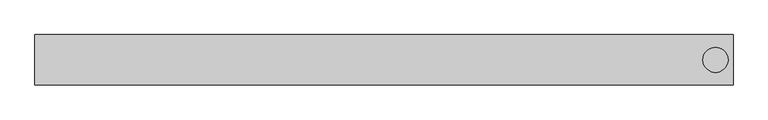
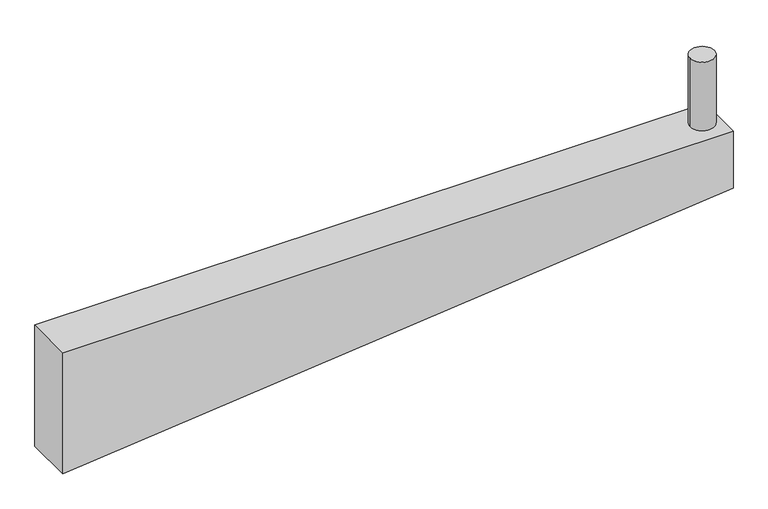
"""IFC4 building model written with IfcOpenShell, lengths in millimetres: beam geometry."""

from ifc_helpers import new_model, si_unit, point, frame, frame_2d, origin, origin_with_axes, place, context, project, spatial, polyline, circle_curve, trimmed, segment, composite_curve, outline, extrude, source, transform, mapped, element, save


def beam_6666f38a(model_context):
    return source(origin(), model_context, "Body", "SweptSolid", [
        extrude(outline(composite_curve([segment(trimmed(circle_curve(frame_2d((1316.944934, 0.0)), 50.0), [point((1266.944934, 0.0))], [point((1366.944934, 0.0))], False, "CARTESIAN"), True, "CONTINUOUS"), segment(trimmed(circle_curve(frame_2d((1316.944934, 0.0)), 50.0), [point((1366.944934, 0.0))], [point((1266.944934, 0.0))], False, "CARTESIAN"), True, "CONTINUOUS")], self_intersect=False)), origin_with_axes(), (0.0, 0.0, 1.0), 300.0),
        extrude(outline(polyline([(-250.0, 1386.944934), (0.0, 1386.944934), (0.0, -1386.944934), (-530.0, -1386.944934), (-250.0, 1386.944934)])), frame((0.0, -100.0, 0.0), z_axis=(0.0, 1.0, 0.0), x_axis=(0.0, 0.0, 1.0)), (0.0, 0.0, 1.0), 200.0),
    ])


if __name__ == "__main__":
    model = new_model("IFC4")
    model_context = context("Model", 3, world=origin())
    ifc_project = project(units=[si_unit("LENGTHUNIT", "METRE", prefix="MILLI")], contexts=[model_context])
    site = spatial("IfcSite", under=ifc_project)
    building = spatial("IfcBuilding", under=site)
    placement = place(None, origin())
    beam_shape = beam_6666f38a(model_context)
    element("IfcBeam", 1, at=placement, inside=building, context=model_context, shape_type="MappedRepresentation", body=[
        mapped(beam_shape, transform((0.0, 0.0, 0.0), x_axis=(1.0, 0.0, 0.0), y_axis=(0.0, 1.0, 0.0), z_axis=(0.0, 0.0, 1.0))),
    ])
    save(model, "model.ifc")
